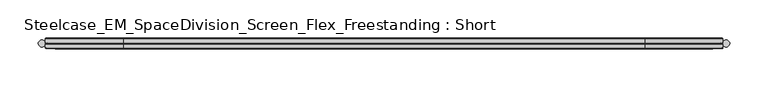
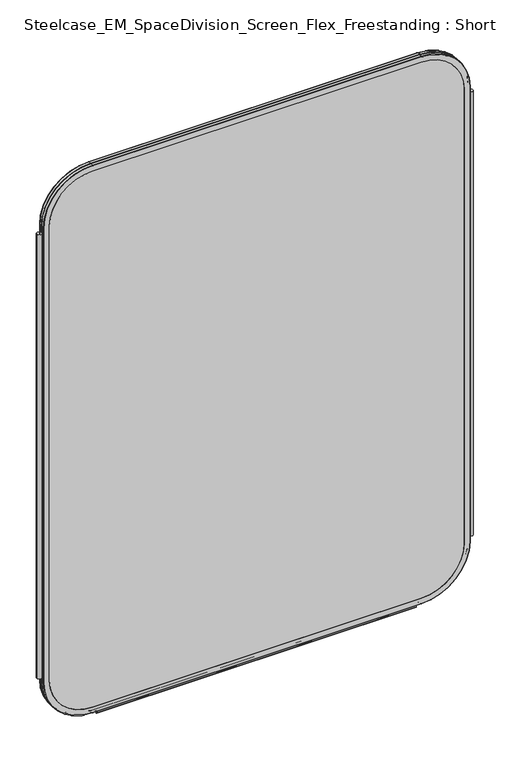
"""IFC4 building model written with IfcOpenShell, lengths in millimetres: furniture geometry, Steelcase_EM_SpaceDivision_Screen_Flex_Freestanding : Short."""

from ifc_helpers import new_model, si_unit, point, frame, frame_2d, origin, place, context, project, spatial, polyline, circle_curve, ellipse_curve, trimmed, segment, composite_curve, outline, extrude, source, transform, mapped, element, save
from ifc_brep_helpers import plane_surface, cylinder_surface, revolved_surface, advanced_brep


def steelcase_em_spacedivision_screen_flex_freestanding_short_748dcd67(model_context):
    return source(origin(), model_context, "Body", "SolidModel", [
        extrude(outline(composite_curve([segment(trimmed(circle_curve(frame_2d((4.5307839, 0.0)), 4.572), [point((-0.0412161, 0.0))], [point((9.1027839, 0.0))], False, "CARTESIAN"), True, "CONTINUOUS"), segment(trimmed(circle_curve(frame_2d((4.5307839, 0.0)), 4.572), [point((9.1027839, 0.0))], [point((-0.0412161, 0.0))], False, "CARTESIAN"), True, "CONTINUOUS")], self_intersect=False)), frame((0.0, 0.0, 115.57), z_axis=(0.0, 0.0, 1.0), x_axis=(1.0, 0.0, 0.0)), (0.0, 0.0, 1.0), 968.86),
        extrude(outline(composite_curve([segment(trimmed(circle_curve(frame_2d((895.4692161, 0.0)), 4.572), [point((890.8972161, 0.0))], [point((900.0412161, 0.0))], False, "CARTESIAN"), True, "CONTINUOUS"), segment(trimmed(circle_curve(frame_2d((895.4692161, 0.0)), 4.572), [point((900.0412161, 0.0))], [point((890.8972161, 0.0))], False, "CARTESIAN"), True, "CONTINUOUS")], self_intersect=False)), frame((0.0, 0.0, 115.57), z_axis=(0.0, 0.0, 1.0), x_axis=(1.0, 0.0, 0.0)), (0.0, 0.0, 1.0), 968.86),
        extrude(outline(composite_curve([segment(trimmed(circle_curve(frame_2d((-3.5, 4.4751953)), 0.5), [point((-3.5, 4.9751953))], [point((-3.5, 3.9751953))], False, "CARTESIAN"), True, "CONTINUOUS"), segment(trimmed(circle_curve(frame_2d((-3.5, 2.4751953)), 1.5), [point((-3.5, 3.9751953))], [point((-2.3025096, 1.5718589))], True, "CARTESIAN"), True, "CONTINUOUS"), segment(trimmed(circle_curve(frame_2d((-10.3325937, 7.629417)), 10.0586411), [point((-2.3025096, 1.5718589))], [point((-0.714976, 4.6836248))], True, "CARTESIAN"), True, "CONTINUOUS"), segment(trimmed(circle_curve(frame_2d((0.0, 4.4646339)), 0.7477618), [point((-0.714976, 4.6836248))], [point((0.714976, 4.6836248))], False, "CARTESIAN"), True, "CONTINUOUS"), segment(trimmed(circle_curve(frame_2d((10.3325937, 7.629417)), 10.0586411), [point((0.714976, 4.6836248))], [point((2.3025096, 1.5718589))], True, "CARTESIAN"), True, "CONTINUOUS"), segment(trimmed(circle_curve(frame_2d((3.5, 2.4751953)), 1.5), [point((2.3025096, 1.5718589))], [point((3.5, 3.9751953))], True, "CARTESIAN"), True, "CONTINUOUS"), segment(trimmed(circle_curve(frame_2d((3.5, 4.4751953)), 0.5), [point((3.5, 3.9751953))], [point((3.5, 4.9751953))], False, "CARTESIAN"), True, "CONTINUOUS"), segment(trimmed(circle_curve(frame_2d((3.5, 2.4751953)), 2.5), [point((3.5, 4.9751953))], [point((1.4656663, 1.0220998))], False, "CARTESIAN"), True, "CONTINUOUS"), segment(trimmed(circle_curve(frame_2d((0.0, -0.0248047)), 1.8011626), [point((1.4656663, 1.0220998))], [point((-1.4656663, 1.0220998))], True, "CARTESIAN"), True, "CONTINUOUS"), segment(trimmed(circle_curve(frame_2d((-3.5, 2.4751953)), 2.5), [point((-1.4656663, 1.0220998))], [point((-3.5, 4.9751953))], False, "CARTESIAN"), True, "CONTINUOUS")], self_intersect=False)), frame((120.0, 0.0, 0.0), z_axis=(1.0, 0.0, 0.0), x_axis=(0.0, 1.0, 0.0)), (0.0, 0.0, 1.0), 660.0),
        advanced_brep(
        [(9.9273521, 0.0, 1098.4), (110.7653521, 0.0, 1199.238), (789.2594661, 0.0, 1199.238), (890.0974661, 0.0, 1098.4), (890.0974661, 0.0, 106.5996464), (789.2594661, 0.0, 5.7616464), (110.7653521, 0.0, 5.7616464), (9.9273521, 0.0, 106.5996464), (789.2594661, 0.0, 17.6996464), (878.1594661, 0.0, 106.5996464), (878.1594661, 0.0, 1098.4), (789.2594661, 0.0, 1187.3), (110.7653521, 0.0, 1187.3), (21.8653521, 0.0, 1098.4), (21.8653521, 0.0, 106.5996464), (110.7653521, 0.0, 17.6996464), (110.7653521, -0.762, 1200.0), (9.1653521, -0.762, 1098.4), (110.7653521, -6.096, 1200.0), (9.1653521, -6.096, 1098.4), (110.7653521, -6.858, 1199.238), (9.9273521, -6.858, 1098.4), (110.7653521, -6.858, 1187.3), (21.8653521, -6.858, 1098.4), (789.2594661, -0.762, 1200.0), (789.2594661, -6.096, 1200.0), (789.2594661, -6.858, 1199.238), (789.2594661, -6.858, 1187.3), (890.8594661, -0.762, 1098.4), (890.8594661, -6.096, 1098.4), (890.0974661, -6.858, 1098.4), (878.1594661, -6.858, 1098.4), (890.8594661, -0.762, 106.5996464), (890.8594661, -6.096, 106.5996464), (890.0974661, -6.858, 106.5996464), (878.1594661, -6.858, 106.5996464), (789.2594661, -0.762, 4.9996464), (789.2594661, -6.096, 4.9996464), (789.2594661, -6.858, 5.7616464), (789.2594661, -6.858, 17.6996464), (110.7653521, -0.762, 4.9996464), (110.7653521, -6.096, 4.9996464), (110.7653521, -6.858, 5.7616464), (110.7653521, -6.858, 17.6996464), (9.1653521, -0.762, 106.5996464), (9.1653521, -6.096, 106.5996464), (9.9273521, -6.858, 106.5996464), (21.8653521, -6.858, 106.5996464)],
        [
            (0, 1, circle_curve(frame((110.7653521, 0.0, 1098.4), z_axis=(0.0, 1.0, 0.0), x_axis=(-1.0, 0.0, 0.0)), 100.838)),
            (1, 2),
            (2, 3, circle_curve(frame((789.2594661, 0.0, 1098.4), z_axis=(0.0, 1.0, 0.0), x_axis=(0.0, 0.0, 1.0)), 100.838)),
            (3, 4),
            (4, 5, circle_curve(frame((789.2594661, 0.0, 106.5996464), z_axis=(0.0, 1.0, 0.0), x_axis=(1.0, 0.0, 0.0)), 100.838)),
            (5, 6),
            (6, 7, circle_curve(frame((110.7653521, 0.0, 106.5996464), z_axis=(0.0, 1.0, 0.0), x_axis=(0.0, 0.0, -1.0)), 100.838)),
            (7, 0),
            (8, 9, circle_curve(frame((789.2594661, 0.0, 106.5996464), z_axis=(0.0, -1.0, 0.0), x_axis=(1.0, 0.0, 0.0)), 88.9)),
            (9, 10),
            (10, 11, circle_curve(frame((789.2594661, 0.0, 1098.4), z_axis=(0.0, -1.0, 0.0), x_axis=(0.0, 0.0, 1.0)), 88.9)),
            (11, 12),
            (12, 13, circle_curve(frame((110.7653521, 0.0, 1098.4), z_axis=(0.0, -1.0, 0.0), x_axis=(-1.0, 0.0, 0.0)), 88.9)),
            (13, 14),
            (14, 15, circle_curve(frame((110.7653521, 0.0, 106.5996464), z_axis=(0.0, -1.0, 0.0), x_axis=(0.0, 0.0, -1.0)), 88.9)),
            (15, 8),
            (16, 1, circle_curve(frame((110.7653521, -0.762, 1199.238), z_axis=(-1.0, 0.0, 0.0), x_axis=(0.0, 0.0, 1.0)), 0.762)),
            (0, 17, circle_curve(frame((9.9273521, -0.762, 1098.4), z_axis=(0.0, 0.0, 1.0), x_axis=(-1.0, 0.0, 0.0)), 0.762)),
            (17, 16, circle_curve(frame((110.7653521, -0.762, 1098.4), z_axis=(0.0, 1.0, 0.0), x_axis=(-1.0, 0.0, 0.0)), 101.6)),
            (18, 16),
            (17, 19),
            (19, 18, circle_curve(frame((110.7653521, -6.096, 1098.4), z_axis=(0.0, 1.0, 0.0), x_axis=(-1.0, 0.0, 0.0)), 101.6)),
            (20, 18, circle_curve(frame((110.7653521, -6.096, 1199.238), z_axis=(-1.0, 0.0, 0.0), x_axis=(0.0, 0.0, 1.0)), 0.762)),
            (19, 21, circle_curve(frame((9.9273521, -6.096, 1098.4), z_axis=(0.0, 0.0, 1.0), x_axis=(-1.0, 0.0, 0.0)), 0.762)),
            (21, 20, circle_curve(frame((110.7653521, -6.858, 1098.4), z_axis=(0.0, 1.0, 0.0), x_axis=(-1.0, 0.0, 0.0)), 100.838)),
            (12, 22),
            (22, 23, circle_curve(frame((110.7653521, -6.858, 1098.4), z_axis=(0.0, -1.0, 0.0), x_axis=(-1.0, 0.0, 0.0)), 88.9)),
            (23, 13),
            (16, 24),
            (24, 2, circle_curve(frame((789.2594661, -0.762, 1199.238), z_axis=(-1.0, 0.0, 0.0), x_axis=(0.0, 0.0, 1.0)), 0.762)),
            (18, 25),
            (25, 24),
            (20, 26),
            (26, 25, circle_curve(frame((789.2594661, -6.096, 1199.238), z_axis=(-1.0, 0.0, 0.0), x_axis=(0.0, 0.0, 1.0)), 0.762)),
            (11, 27),
            (27, 22),
            (28, 3, circle_curve(frame((890.0974661, -0.762, 1098.4), z_axis=(0.0, 0.0, 1.0), x_axis=(1.0, 0.0, 0.0)), 0.762)),
            (24, 28, circle_curve(frame((789.2594661, -0.762, 1098.4), z_axis=(0.0, 1.0, 0.0), x_axis=(0.0, 0.0, 1.0)), 101.6)),
            (29, 28),
            (25, 29, circle_curve(frame((789.2594661, -6.096, 1098.4), z_axis=(0.0, 1.0, 0.0), x_axis=(0.0, 0.0, 1.0)), 101.6)),
            (30, 29, circle_curve(frame((890.0974661, -6.096, 1098.4), z_axis=(0.0, 0.0, 1.0), x_axis=(1.0, 0.0, 0.0)), 0.762)),
            (26, 30, circle_curve(frame((789.2594661, -6.858, 1098.4), z_axis=(0.0, 1.0, 0.0), x_axis=(0.0, 0.0, 1.0)), 100.838)),
            (10, 31),
            (31, 27, circle_curve(frame((789.2594661, -6.858, 1098.4), z_axis=(0.0, -1.0, 0.0), x_axis=(0.0, 0.0, 1.0)), 88.9)),
            (28, 32),
            (32, 4, circle_curve(frame((890.0974661, -0.762, 106.5996464), z_axis=(0.0, 0.0, 1.0), x_axis=(1.0, 0.0, 0.0)), 0.762)),
            (29, 33),
            (33, 32),
            (30, 34),
            (34, 33, circle_curve(frame((890.0974661, -6.096, 106.5996464), z_axis=(0.0, 0.0, 1.0), x_axis=(1.0, 0.0, 0.0)), 0.762)),
            (9, 35),
            (35, 31),
            (36, 5, circle_curve(frame((789.2594661, -0.762, 5.7616464), z_axis=(1.0, 0.0, 0.0), x_axis=(0.0, 0.0, -1.0)), 0.762)),
            (32, 36, circle_curve(frame((789.2594661, -0.762, 106.5996464), z_axis=(0.0, 1.0, 0.0), x_axis=(1.0, 0.0, 0.0)), 101.6)),
            (37, 36),
            (33, 37, circle_curve(frame((789.2594661, -6.096, 106.5996464), z_axis=(0.0, 1.0, 0.0), x_axis=(1.0, 0.0, 0.0)), 101.6)),
            (38, 37, circle_curve(frame((789.2594661, -6.096, 5.7616464), z_axis=(1.0, 0.0, 0.0), x_axis=(0.0, 0.0, -1.0)), 0.762)),
            (34, 38, circle_curve(frame((789.2594661, -6.858, 106.5996464), z_axis=(0.0, 1.0, 0.0), x_axis=(1.0, 0.0, 0.0)), 100.838)),
            (8, 39),
            (39, 35, circle_curve(frame((789.2594661, -6.858, 106.5996464), z_axis=(0.0, -1.0, 0.0), x_axis=(1.0, 0.0, 0.0)), 88.9)),
            (36, 40),
            (40, 6, circle_curve(frame((110.7653521, -0.762, 5.7616464), z_axis=(1.0, 0.0, 0.0), x_axis=(0.0, 0.0, -1.0)), 0.762)),
            (37, 41),
            (41, 40),
            (38, 42),
            (42, 41, circle_curve(frame((110.7653521, -6.096, 5.7616464), z_axis=(1.0, 0.0, 0.0), x_axis=(0.0, 0.0, -1.0)), 0.762)),
            (15, 43),
            (43, 39),
            (44, 7, circle_curve(frame((9.9273521, -0.762, 106.5996464), z_axis=(0.0, 0.0, -1.0), x_axis=(-1.0, 0.0, 0.0)), 0.762)),
            (40, 44, circle_curve(frame((110.7653521, -0.762, 106.5996464), z_axis=(0.0, 1.0, 0.0), x_axis=(0.0, 0.0, -1.0)), 101.6)),
            (45, 44),
            (41, 45, circle_curve(frame((110.7653521, -6.096, 106.5996464), z_axis=(0.0, 1.0, 0.0), x_axis=(0.0, 0.0, -1.0)), 101.6)),
            (46, 45, circle_curve(frame((9.9273521, -6.096, 106.5996464), z_axis=(0.0, 0.0, -1.0), x_axis=(-1.0, 0.0, 0.0)), 0.762)),
            (42, 46, circle_curve(frame((110.7653521, -6.858, 106.5996464), z_axis=(0.0, 1.0, 0.0), x_axis=(0.0, 0.0, -1.0)), 100.838)),
            (14, 47),
            (47, 43, circle_curve(frame((110.7653521, -6.858, 106.5996464), z_axis=(0.0, -1.0, 0.0), x_axis=(0.0, 0.0, -1.0)), 88.9)),
            (44, 17),
            (45, 19),
            (46, 21),
            (47, 23),
        ],
        [
            plane_surface(frame((21.8653521, 0.0, 106.5996464), z_axis=(0.0, 1.0, 0.0), x_axis=(0.0, 0.0, 1.0))),
            revolved_surface(trimmed(ellipse_curve(frame((9.9273521, -0.762, 1098.4), z_axis=(0.0, 0.0, 1.0), x_axis=(-1.0, 0.0, 0.0)), 0.762, 0.762), [point((9.9273521, 0.0, 1098.4))], [point((9.1653521, -0.762, 1098.4))], True, "CARTESIAN"), (110.7653521, 0.0, 1098.4), (0.0, -1.0, 0.0)),
            cylinder_surface(frame((110.7653521, 0.0, 1098.4), z_axis=(0.0, -1.0, 0.0), x_axis=(-1.0, 0.0, 0.0)), 101.6),
            revolved_surface(trimmed(ellipse_curve(frame((9.9273521, -6.096, 1098.4), z_axis=(0.0, 0.0, 1.0), x_axis=(-1.0, 0.0, 0.0)), 0.762, 0.762), [point((9.1653521, -6.096, 1098.4))], [point((9.9273521, -6.858, 1098.4))], True, "CARTESIAN"), (110.7653521, 0.0, 1098.4), (0.0, -1.0, 0.0)),
            revolved_surface(polyline([(21.865352099999996, -6.858, 1098.4), (21.865352099999996, 0.0, 1098.4)]), (110.7653521, 0.0, 1098.4), (0.0, -1.0, 0.0)),
            cylinder_surface(frame((110.7653521, -0.762, 1199.238), z_axis=(-1.0, 0.0, 0.0), x_axis=(0.0, 0.0, 1.0)), 0.762),
            plane_surface(frame((110.7653521, -0.762, 1200.0), z_axis=(0.0, 0.0, 1.0), x_axis=(1.0, 0.0, 0.0))),
            cylinder_surface(frame((110.7653521, -6.096, 1199.238), z_axis=(-1.0, 0.0, 0.0), x_axis=(0.0, 0.0, 1.0)), 0.762),
            plane_surface(frame((110.7653521, -6.858, 1187.3), z_axis=(0.0, 0.0, -1.0), x_axis=(1.0, 0.0, 0.0))),
            revolved_surface(trimmed(ellipse_curve(frame((789.2594661, -0.762, 1199.238), z_axis=(1.0, 0.0, 0.0), x_axis=(0.0, 0.0, 1.0)), 0.762, 0.762), [point((789.2594661, 0.0, 1199.238))], [point((789.2594661, -0.762, 1200.0))], True, "CARTESIAN"), (789.2594661, 0.0, 1098.4), (0.0, -1.0, 0.0)),
            cylinder_surface(frame((789.2594661, 0.0, 1098.4), z_axis=(0.0, -1.0, 0.0), x_axis=(0.0, 0.0, 1.0)), 101.6),
            revolved_surface(trimmed(ellipse_curve(frame((789.2594661, -6.096, 1199.238), z_axis=(1.0, 0.0, 0.0), x_axis=(0.0, 0.0, 1.0)), 0.762, 0.762), [point((789.2594661, -6.096, 1200.0))], [point((789.2594661, -6.858, 1199.238))], True, "CARTESIAN"), (789.2594661, 0.0, 1098.4), (0.0, -1.0, 0.0)),
            revolved_surface(polyline([(789.2594661, -6.858, 1187.3000000000002), (789.2594661, 0.0, 1187.3000000000002)]), (789.2594661, 0.0, 1098.4), (0.0, -1.0, 0.0)),
            cylinder_surface(frame((890.0974661, -0.762, 1098.4), z_axis=(0.0, 0.0, 1.0), x_axis=(1.0, 0.0, 0.0)), 0.762),
            plane_surface(frame((890.8594661, -0.762, 1098.4), z_axis=(1.0, 0.0, 0.0), x_axis=(0.0, 0.0, -1.0))),
            cylinder_surface(frame((890.0974661, -6.096, 1098.4), z_axis=(0.0, 0.0, 1.0), x_axis=(1.0, 0.0, 0.0)), 0.762),
            plane_surface(frame((878.1594661, -6.858, 1098.4), z_axis=(-1.0, 0.0, 0.0), x_axis=(0.0, 0.0, -1.0))),
            revolved_surface(trimmed(ellipse_curve(frame((890.0974661, -0.762, 106.5996464), z_axis=(0.0, 0.0, -1.0), x_axis=(1.0, 0.0, 0.0)), 0.762, 0.762), [point((890.0974661, 0.0, 106.5996464))], [point((890.8594661, -0.762, 106.5996464))], True, "CARTESIAN"), (789.2594661, 0.0, 106.5996464), (0.0, -1.0, 0.0)),
            cylinder_surface(frame((789.2594661, 0.0, 106.5996464), z_axis=(0.0, -1.0, 0.0), x_axis=(1.0, 0.0, 0.0)), 101.6),
            revolved_surface(trimmed(ellipse_curve(frame((890.0974661, -6.096, 106.5996464), z_axis=(0.0, 0.0, -1.0), x_axis=(1.0, 0.0, 0.0)), 0.762, 0.762), [point((890.8594661, -6.096, 106.5996464))], [point((890.0974661, -6.858, 106.5996464))], True, "CARTESIAN"), (789.2594661, 0.0, 106.5996464), (0.0, -1.0, 0.0)),
            revolved_surface(polyline([(878.1594661, -6.858, 106.5996464), (878.1594661, 0.0, 106.5996464)]), (789.2594661, 0.0, 106.5996464), (0.0, -1.0, 0.0)),
            cylinder_surface(frame((789.2594661, -0.762, 5.7616464), z_axis=(1.0, 0.0, 0.0), x_axis=(0.0, 0.0, -1.0)), 0.762),
            plane_surface(frame((789.2594661, -0.762, 4.9996464), z_axis=(0.0, 0.0, -1.0), x_axis=(-1.0, 0.0, 0.0))),
            cylinder_surface(frame((789.2594661, -6.096, 5.7616464), z_axis=(1.0, 0.0, 0.0), x_axis=(0.0, 0.0, -1.0)), 0.762),
            plane_surface(frame((789.2594661, -6.858, 17.6996464), z_axis=(0.0, 0.0, 1.0), x_axis=(-1.0, 0.0, 0.0))),
            revolved_surface(trimmed(ellipse_curve(frame((110.7653521, -0.762, 5.7616464), z_axis=(-1.0, 0.0, 0.0), x_axis=(0.0, 0.0, -1.0)), 0.762, 0.762), [point((110.7653521, 0.0, 5.7616464))], [point((110.7653521, -0.762, 4.9996464))], True, "CARTESIAN"), (110.7653521, 0.0, 106.5996464), (0.0, -1.0, 0.0)),
            cylinder_surface(frame((110.7653521, 0.0, 106.5996464), z_axis=(0.0, -1.0, 0.0), x_axis=(0.0, 0.0, -1.0)), 101.6),
            revolved_surface(trimmed(ellipse_curve(frame((110.7653521, -6.096, 5.7616464), z_axis=(-1.0, 0.0, 0.0), x_axis=(0.0, 0.0, -1.0)), 0.762, 0.762), [point((110.7653521, -6.096, 4.9996464))], [point((110.7653521, -6.858, 5.7616464))], True, "CARTESIAN"), (110.7653521, 0.0, 106.5996464), (0.0, -1.0, 0.0)),
            revolved_surface(polyline([(110.7653521, -6.858, 17.699646399999992), (110.7653521, 0.0, 17.699646399999992)]), (110.7653521, 0.0, 106.5996464), (0.0, -1.0, 0.0)),
            cylinder_surface(frame((9.9273521, -0.762, 106.5996464), z_axis=(0.0, 0.0, -1.0), x_axis=(-1.0, 0.0, 0.0)), 0.762),
            plane_surface(frame((9.1653521, -0.762, 106.5996464), z_axis=(-1.0, 0.0, 0.0), x_axis=(0.0, 0.0, 1.0))),
            cylinder_surface(frame((9.9273521, -6.096, 106.5996464), z_axis=(0.0, 0.0, -1.0), x_axis=(-1.0, 0.0, 0.0)), 0.762),
            plane_surface(frame((9.9273521, -6.858, 106.5996464), z_axis=(0.0, -1.0, 0.0), x_axis=(0.0, 0.0, 1.0))),
            plane_surface(frame((21.8653521, -6.858, 106.5996464), z_axis=(1.0, 0.0, 0.0), x_axis=(0.0, 0.0, 1.0))),
        ],
        [
            (0, [[1, 2, 3, 4, 5, 6, 7, 8], [9, 10, 11, 12, 13, 14, 15, 16]]),
            (1, [[17, -1, 18, 19]]),
            (2, [[20, -19, 21, 22]]),
            (3, [[23, -22, 24, 25]]),
            (4, [[26, 27, 28, -13]]),
            (5, [[29, 30, -2, -17]]),
            (6, [[31, 32, -29, -20]]),
            (7, [[33, 34, -31, -23]]),
            (8, [[-12, 35, 36, -26]]),
            (9, [[37, -3, -30, 38]]),
            (10, [[39, -38, -32, 40]]),
            (11, [[41, -40, -34, 42]]),
            (12, [[43, 44, -35, -11]]),
            (13, [[45, 46, -4, -37]]),
            (14, [[47, 48, -45, -39]]),
            (15, [[49, 50, -47, -41]]),
            (16, [[-10, 51, 52, -43]]),
            (17, [[53, -5, -46, 54]]),
            (18, [[55, -54, -48, 56]]),
            (19, [[57, -56, -50, 58]]),
            (20, [[59, 60, -51, -9]]),
            (21, [[61, 62, -6, -53]]),
            (22, [[63, 64, -61, -55]]),
            (23, [[65, 66, -63, -57]]),
            (24, [[-16, 67, 68, -59]]),
            (25, [[69, -7, -62, 70]]),
            (26, [[71, -70, -64, 72]]),
            (27, [[73, -72, -66, 74]]),
            (28, [[75, 76, -67, -15]]),
            (29, [[77, -18, -8, -69]]),
            (30, [[78, -21, -77, -71]]),
            (31, [[79, -24, -78, -73]]),
            (32, [[-58, -49, -42, -33, -25, -79, -74, -65], [-27, -36, -44, -52, -60, -68, -76, 80]]),
            (33, [[-14, -28, -80, -75]]),
        ],
    ),
        extrude(outline(composite_curve([segment(polyline([(1187.3, 789.2594661), (1187.3, 110.7653521)]), True, "CONTINUOUS"), segment(trimmed(circle_curve(frame_2d((1098.4, 110.7653521)), 88.9), [point((1187.3, 110.7653521))], [point((1098.4, 21.8653521))], False, "CARTESIAN"), True, "CONTINUOUS"), segment(polyline([(1098.4, 21.8653521), (106.5996464, 21.8653521)]), True, "CONTINUOUS"), segment(trimmed(circle_curve(frame_2d((106.5996464, 110.7653521)), 88.9), [point((106.5996464, 21.8653521))], [point((17.6996464, 110.7653521))], False, "CARTESIAN"), True, "CONTINUOUS"), segment(polyline([(17.6996464, 110.7653521), (17.6996464, 789.2594661)]), True, "CONTINUOUS"), segment(trimmed(circle_curve(frame_2d((106.5996464, 789.2594661)), 88.9), [point((17.6996464, 789.2594661))], [point((106.5996464, 878.1594661))], False, "CARTESIAN"), True, "CONTINUOUS"), segment(polyline([(106.5996464, 878.1594661), (1098.4, 878.1594661)]), True, "CONTINUOUS"), segment(trimmed(circle_curve(frame_2d((1098.4, 789.2594661)), 88.9), [point((1098.4, 878.1594661))], [point((1187.3, 789.2594661))], False, "CARTESIAN"), True, "CONTINUOUS")], self_intersect=False)), frame((0.0, -6.858, 0.0), z_axis=(0.0, 1.0, 0.0), x_axis=(0.0, 0.0, 1.0)), (0.0, 0.0, 1.0), 6.858),
        advanced_brep(
        [(110.7653521, 6.858, 1187.3), (110.7653521, 0.0, 1187.3), (21.8653521, 0.0, 1098.4), (21.8653521, 6.858, 1098.4), (110.7653521, 6.096, 1200.0), (110.7653521, 6.858, 1199.238), (9.9273521, 6.858, 1098.4), (9.1653521, 6.096, 1098.4), (110.7653521, 0.762, 1200.0), (9.1653521, 0.762, 1098.4), (110.7653521, 0.0, 1199.238), (9.9273521, 0.0, 1098.4), (789.2594661, 6.858, 1187.3), (789.2594661, 0.0, 1187.3), (789.2594661, 6.096, 1200.0), (789.2594661, 6.858, 1199.238), (789.2594661, 0.762, 1200.0), (789.2594661, 0.0, 1199.238), (878.1594661, 6.858, 1098.4), (878.1594661, 0.0, 1098.4), (890.8594661, 6.096, 1098.4), (890.0974661, 6.858, 1098.4), (890.8594661, 0.762, 1098.4), (890.0974661, 0.0, 1098.4), (878.1594661, 6.858, 106.5996464), (878.1594661, 0.0, 106.5996464), (890.8594661, 6.096, 106.5996464), (890.0974661, 6.858, 106.5996464), (890.8594661, 0.762, 106.5996464), (890.0974661, 0.0, 106.5996464), (789.2594661, 6.858, 17.6996464), (789.2594661, 0.0, 17.6996464), (789.2594661, 6.096, 4.9996464), (789.2594661, 6.858, 5.7616464), (789.2594661, 0.762, 4.9996464), (789.2594661, 0.0, 5.7616464), (110.7653521, 6.858, 17.6996464), (110.7653521, 0.0, 17.6996464), (110.7653521, 6.096, 4.9996464), (110.7653521, 6.858, 5.7616464), (110.7653521, 0.762, 4.9996464), (110.7653521, 0.0, 5.7616464), (21.8653521, 6.858, 106.5996464), (21.8653521, 0.0, 106.5996464), (9.1653521, 6.096, 106.5996464), (9.9273521, 6.858, 106.5996464), (9.1653521, 0.762, 106.5996464), (9.9273521, 0.0, 106.5996464)],
        [
            (0, 1),
            (1, 2, circle_curve(frame((110.7653521, 0.0, 1098.4), z_axis=(0.0, -1.0, 0.0), x_axis=(-1.0, 0.0, 0.0)), 88.9)),
            (2, 3),
            (3, 0, circle_curve(frame((110.7653521, 6.858, 1098.4), z_axis=(0.0, 1.0, 0.0), x_axis=(-1.0, 0.0, 0.0)), 88.9)),
            (4, 5, circle_curve(frame((110.7653521, 6.096, 1199.238), z_axis=(-1.0, 0.0, 0.0), x_axis=(0.0, 0.0, 1.0)), 0.762)),
            (5, 6, circle_curve(frame((110.7653521, 6.858, 1098.4), z_axis=(0.0, -1.0, 0.0), x_axis=(-1.0, 0.0, 0.0)), 100.838)),
            (6, 7, circle_curve(frame((9.9273521, 6.096, 1098.4), z_axis=(0.0, 0.0, 1.0), x_axis=(-1.0, 0.0, 0.0)), 0.762)),
            (7, 4, circle_curve(frame((110.7653521, 6.096, 1098.4), z_axis=(0.0, 1.0, 0.0), x_axis=(-1.0, 0.0, 0.0)), 101.6)),
            (8, 4),
            (7, 9),
            (9, 8, circle_curve(frame((110.7653521, 0.762, 1098.4), z_axis=(0.0, 1.0, 0.0), x_axis=(-1.0, 0.0, 0.0)), 101.6)),
            (10, 8, circle_curve(frame((110.7653521, 0.762, 1199.238), z_axis=(-1.0, 0.0, 0.0), x_axis=(0.0, 0.0, 1.0)), 0.762)),
            (9, 11, circle_curve(frame((9.9273521, 0.762, 1098.4), z_axis=(0.0, 0.0, 1.0), x_axis=(-1.0, 0.0, 0.0)), 0.762)),
            (11, 10, circle_curve(frame((110.7653521, 0.0, 1098.4), z_axis=(0.0, 1.0, 0.0), x_axis=(-1.0, 0.0, 0.0)), 100.838)),
            (0, 12),
            (12, 13),
            (13, 1),
            (4, 14),
            (14, 15, circle_curve(frame((789.2594661, 6.096, 1199.238), z_axis=(-1.0, 0.0, 0.0), x_axis=(0.0, 0.0, 1.0)), 0.762)),
            (15, 5),
            (8, 16),
            (16, 14),
            (10, 17),
            (17, 16, circle_curve(frame((789.2594661, 0.762, 1199.238), z_axis=(-1.0, 0.0, 0.0), x_axis=(0.0, 0.0, 1.0)), 0.762)),
            (18, 19),
            (19, 13, circle_curve(frame((789.2594661, 0.0, 1098.4), z_axis=(0.0, -1.0, 0.0), x_axis=(0.0, 0.0, 1.0)), 88.9)),
            (12, 18, circle_curve(frame((789.2594661, 6.858, 1098.4), z_axis=(0.0, 1.0, 0.0), x_axis=(0.0, 0.0, 1.0)), 88.9)),
            (20, 21, circle_curve(frame((890.0974661, 6.096, 1098.4), z_axis=(0.0, 0.0, 1.0), x_axis=(1.0, 0.0, 0.0)), 0.762)),
            (21, 15, circle_curve(frame((789.2594661, 6.858, 1098.4), z_axis=(0.0, -1.0, 0.0), x_axis=(0.0, 0.0, 1.0)), 100.838)),
            (14, 20, circle_curve(frame((789.2594661, 6.096, 1098.4), z_axis=(0.0, 1.0, 0.0), x_axis=(0.0, 0.0, 1.0)), 101.6)),
            (22, 20),
            (16, 22, circle_curve(frame((789.2594661, 0.762, 1098.4), z_axis=(0.0, 1.0, 0.0), x_axis=(0.0, 0.0, 1.0)), 101.6)),
            (23, 22, circle_curve(frame((890.0974661, 0.762, 1098.4), z_axis=(0.0, 0.0, 1.0), x_axis=(1.0, 0.0, 0.0)), 0.762)),
            (17, 23, circle_curve(frame((789.2594661, 0.0, 1098.4), z_axis=(0.0, 1.0, 0.0), x_axis=(0.0, 0.0, 1.0)), 100.838)),
            (18, 24),
            (24, 25),
            (25, 19),
            (20, 26),
            (26, 27, circle_curve(frame((890.0974661, 6.096, 106.5996464), z_axis=(0.0, 0.0, 1.0), x_axis=(1.0, 0.0, 0.0)), 0.762)),
            (27, 21),
            (22, 28),
            (28, 26),
            (23, 29),
            (29, 28, circle_curve(frame((890.0974661, 0.762, 106.5996464), z_axis=(0.0, 0.0, 1.0), x_axis=(1.0, 0.0, 0.0)), 0.762)),
            (30, 31),
            (31, 25, circle_curve(frame((789.2594661, 0.0, 106.5996464), z_axis=(0.0, -1.0, 0.0), x_axis=(1.0, 0.0, 0.0)), 88.9)),
            (24, 30, circle_curve(frame((789.2594661, 6.858, 106.5996464), z_axis=(0.0, 1.0, 0.0), x_axis=(1.0, 0.0, 0.0)), 88.9)),
            (32, 33, circle_curve(frame((789.2594661, 6.096, 5.7616464), z_axis=(1.0, 0.0, 0.0), x_axis=(0.0, 0.0, -1.0)), 0.762)),
            (33, 27, circle_curve(frame((789.2594661, 6.858, 106.5996464), z_axis=(0.0, -1.0, 0.0), x_axis=(1.0, 0.0, 0.0)), 100.838)),
            (26, 32, circle_curve(frame((789.2594661, 6.096, 106.5996464), z_axis=(0.0, 1.0, 0.0), x_axis=(1.0, 0.0, 0.0)), 101.6)),
            (34, 32),
            (28, 34, circle_curve(frame((789.2594661, 0.762, 106.5996464), z_axis=(0.0, 1.0, 0.0), x_axis=(1.0, 0.0, 0.0)), 101.6)),
            (35, 34, circle_curve(frame((789.2594661, 0.762, 5.7616464), z_axis=(1.0, 0.0, 0.0), x_axis=(0.0, 0.0, -1.0)), 0.762)),
            (29, 35, circle_curve(frame((789.2594661, 0.0, 106.5996464), z_axis=(0.0, 1.0, 0.0), x_axis=(1.0, 0.0, 0.0)), 100.838)),
            (30, 36),
            (36, 37),
            (37, 31),
            (32, 38),
            (38, 39, circle_curve(frame((110.7653521, 6.096, 5.7616464), z_axis=(1.0, 0.0, 0.0), x_axis=(0.0, 0.0, -1.0)), 0.762)),
            (39, 33),
            (34, 40),
            (40, 38),
            (35, 41),
            (41, 40, circle_curve(frame((110.7653521, 0.762, 5.7616464), z_axis=(1.0, 0.0, 0.0), x_axis=(0.0, 0.0, -1.0)), 0.762)),
            (42, 43),
            (43, 37, circle_curve(frame((110.7653521, 0.0, 106.5996464), z_axis=(0.0, -1.0, 0.0), x_axis=(0.0, 0.0, -1.0)), 88.9)),
            (36, 42, circle_curve(frame((110.7653521, 6.858, 106.5996464), z_axis=(0.0, 1.0, 0.0), x_axis=(0.0, 0.0, -1.0)), 88.9)),
            (44, 45, circle_curve(frame((9.9273521, 6.096, 106.5996464), z_axis=(0.0, 0.0, -1.0), x_axis=(-1.0, 0.0, 0.0)), 0.762)),
            (45, 39, circle_curve(frame((110.7653521, 6.858, 106.5996464), z_axis=(0.0, -1.0, 0.0), x_axis=(0.0, 0.0, -1.0)), 100.838)),
            (38, 44, circle_curve(frame((110.7653521, 6.096, 106.5996464), z_axis=(0.0, 1.0, 0.0), x_axis=(0.0, 0.0, -1.0)), 101.6)),
            (46, 44),
            (40, 46, circle_curve(frame((110.7653521, 0.762, 106.5996464), z_axis=(0.0, 1.0, 0.0), x_axis=(0.0, 0.0, -1.0)), 101.6)),
            (47, 46, circle_curve(frame((9.9273521, 0.762, 106.5996464), z_axis=(0.0, 0.0, -1.0), x_axis=(-1.0, 0.0, 0.0)), 0.762)),
            (41, 47, circle_curve(frame((110.7653521, 0.0, 106.5996464), z_axis=(0.0, 1.0, 0.0), x_axis=(0.0, 0.0, -1.0)), 100.838)),
            (42, 3),
            (2, 43),
            (45, 6),
            (44, 7),
            (46, 9),
            (47, 11),
        ],
        [
            revolved_surface(polyline([(21.865352099999996, 0.0, 1098.4), (21.865352099999996, 6.858, 1098.4)]), (110.7653521, 0.0, 1098.4), (0.0, -1.0, 0.0)),
            revolved_surface(trimmed(ellipse_curve(frame((9.9273521, 6.096, 1098.4), z_axis=(0.0, 0.0, 1.0), x_axis=(-1.0, 0.0, 0.0)), 0.762, 0.762), [point((9.9273521, 6.858, 1098.4))], [point((9.1653521, 6.096, 1098.4))], True, "CARTESIAN"), (110.7653521, 0.0, 1098.4), (0.0, -1.0, 0.0)),
            cylinder_surface(frame((110.7653521, 0.0, 1098.4), z_axis=(0.0, -1.0, 0.0), x_axis=(-1.0, 0.0, 0.0)), 101.6),
            revolved_surface(trimmed(ellipse_curve(frame((9.9273521, 0.762, 1098.4), z_axis=(0.0, 0.0, 1.0), x_axis=(-1.0, 0.0, 0.0)), 0.762, 0.762), [point((9.1653521, 0.762, 1098.4))], [point((9.9273521, 0.0, 1098.4))], True, "CARTESIAN"), (110.7653521, 0.0, 1098.4), (0.0, -1.0, 0.0)),
            plane_surface(frame((110.7653521, 0.0, 1187.3), z_axis=(0.0, 0.0, -1.0), x_axis=(1.0, 0.0, 0.0))),
            cylinder_surface(frame((110.7653521, 6.096, 1199.238), z_axis=(-1.0, 0.0, 0.0), x_axis=(0.0, 0.0, 1.0)), 0.762),
            plane_surface(frame((110.7653521, 6.096, 1200.0), z_axis=(0.0, 0.0, 1.0), x_axis=(1.0, 0.0, 0.0))),
            cylinder_surface(frame((110.7653521, 0.762, 1199.238), z_axis=(-1.0, 0.0, 0.0), x_axis=(0.0, 0.0, 1.0)), 0.762),
            revolved_surface(polyline([(789.2594661, 0.0, 1187.3000000000002), (789.2594661, 6.858, 1187.3000000000002)]), (789.2594661, 0.0, 1098.4), (0.0, -1.0, 0.0)),
            revolved_surface(trimmed(ellipse_curve(frame((789.2594661, 6.096, 1199.238), z_axis=(1.0, 0.0, 0.0), x_axis=(0.0, 0.0, 1.0)), 0.762, 0.762), [point((789.2594661, 6.858, 1199.238))], [point((789.2594661, 6.096, 1200.0))], True, "CARTESIAN"), (789.2594661, 0.0, 1098.4), (0.0, -1.0, 0.0)),
            cylinder_surface(frame((789.2594661, 0.0, 1098.4), z_axis=(0.0, -1.0, 0.0), x_axis=(0.0, 0.0, 1.0)), 101.6),
            revolved_surface(trimmed(ellipse_curve(frame((789.2594661, 0.762, 1199.238), z_axis=(1.0, 0.0, 0.0), x_axis=(0.0, 0.0, 1.0)), 0.762, 0.762), [point((789.2594661, 0.762, 1200.0))], [point((789.2594661, 0.0, 1199.238))], True, "CARTESIAN"), (789.2594661, 0.0, 1098.4), (0.0, -1.0, 0.0)),
            plane_surface(frame((878.1594661, 0.0, 1098.4), z_axis=(-1.0, 0.0, 0.0), x_axis=(0.0, 0.0, -1.0))),
            cylinder_surface(frame((890.0974661, 6.096, 1098.4), z_axis=(0.0, 0.0, 1.0), x_axis=(1.0, 0.0, 0.0)), 0.762),
            plane_surface(frame((890.8594661, 6.096, 1098.4), z_axis=(1.0, 0.0, 0.0), x_axis=(0.0, 0.0, -1.0))),
            cylinder_surface(frame((890.0974661, 0.762, 1098.4), z_axis=(0.0, 0.0, 1.0), x_axis=(1.0, 0.0, 0.0)), 0.762),
            revolved_surface(polyline([(878.1594661, 0.0, 106.5996464), (878.1594661, 6.858, 106.5996464)]), (789.2594661, 0.0, 106.5996464), (0.0, -1.0, 0.0)),
            revolved_surface(trimmed(ellipse_curve(frame((890.0974661, 6.096, 106.5996464), z_axis=(0.0, 0.0, -1.0), x_axis=(1.0, 0.0, 0.0)), 0.762, 0.762), [point((890.0974661, 6.858, 106.5996464))], [point((890.8594661, 6.096, 106.5996464))], True, "CARTESIAN"), (789.2594661, 0.0, 106.5996464), (0.0, -1.0, 0.0)),
            cylinder_surface(frame((789.2594661, 0.0, 106.5996464), z_axis=(0.0, -1.0, 0.0), x_axis=(1.0, 0.0, 0.0)), 101.6),
            revolved_surface(trimmed(ellipse_curve(frame((890.0974661, 0.762, 106.5996464), z_axis=(0.0, 0.0, -1.0), x_axis=(1.0, 0.0, 0.0)), 0.762, 0.762), [point((890.8594661, 0.762, 106.5996464))], [point((890.0974661, 0.0, 106.5996464))], True, "CARTESIAN"), (789.2594661, 0.0, 106.5996464), (0.0, -1.0, 0.0)),
            plane_surface(frame((789.2594661, 0.0, 17.6996464), z_axis=(0.0, 0.0, 1.0), x_axis=(-1.0, 0.0, 0.0))),
            cylinder_surface(frame((789.2594661, 6.096, 5.7616464), z_axis=(1.0, 0.0, 0.0), x_axis=(0.0, 0.0, -1.0)), 0.762),
            plane_surface(frame((789.2594661, 6.096, 4.9996464), z_axis=(0.0, 0.0, -1.0), x_axis=(-1.0, 0.0, 0.0))),
            cylinder_surface(frame((789.2594661, 0.762, 5.7616464), z_axis=(1.0, 0.0, 0.0), x_axis=(0.0, 0.0, -1.0)), 0.762),
            revolved_surface(polyline([(110.7653521, 0.0, 17.699646399999992), (110.7653521, 6.858, 17.699646399999992)]), (110.7653521, 0.0, 106.5996464), (0.0, -1.0, 0.0)),
            revolved_surface(trimmed(ellipse_curve(frame((110.7653521, 6.096, 5.7616464), z_axis=(-1.0, 0.0, 0.0), x_axis=(0.0, 0.0, -1.0)), 0.762, 0.762), [point((110.7653521, 6.858, 5.7616464))], [point((110.7653521, 6.096, 4.9996464))], True, "CARTESIAN"), (110.7653521, 0.0, 106.5996464), (0.0, -1.0, 0.0)),
            cylinder_surface(frame((110.7653521, 0.0, 106.5996464), z_axis=(0.0, -1.0, 0.0), x_axis=(0.0, 0.0, -1.0)), 101.6),
            revolved_surface(trimmed(ellipse_curve(frame((110.7653521, 0.762, 5.7616464), z_axis=(-1.0, 0.0, 0.0), x_axis=(0.0, 0.0, -1.0)), 0.762, 0.762), [point((110.7653521, 0.762, 4.9996464))], [point((110.7653521, 0.0, 5.7616464))], True, "CARTESIAN"), (110.7653521, 0.0, 106.5996464), (0.0, -1.0, 0.0)),
            plane_surface(frame((21.8653521, 0.0, 106.5996464), z_axis=(1.0, 0.0, 0.0), x_axis=(0.0, 0.0, 1.0))),
            plane_surface(frame((21.8653521, 6.858, 106.5996464), z_axis=(0.0, 1.0, 0.0), x_axis=(0.0, 0.0, 1.0))),
            cylinder_surface(frame((9.9273521, 6.096, 106.5996464), z_axis=(0.0, 0.0, -1.0), x_axis=(-1.0, 0.0, 0.0)), 0.762),
            plane_surface(frame((9.1653521, 6.096, 106.5996464), z_axis=(-1.0, 0.0, 0.0), x_axis=(0.0, 0.0, 1.0))),
            cylinder_surface(frame((9.9273521, 0.762, 106.5996464), z_axis=(0.0, 0.0, -1.0), x_axis=(-1.0, 0.0, 0.0)), 0.762),
            plane_surface(frame((9.9273521, 0.0, 106.5996464), z_axis=(0.0, -1.0, 0.0), x_axis=(0.0, 0.0, 1.0))),
        ],
        [
            (0, [[1, 2, 3, 4]]),
            (1, [[5, 6, 7, 8]]),
            (2, [[9, -8, 10, 11]]),
            (3, [[12, -11, 13, 14]]),
            (4, [[15, 16, 17, -1]]),
            (5, [[18, 19, 20, -5]]),
            (6, [[21, 22, -18, -9]]),
            (7, [[23, 24, -21, -12]]),
            (8, [[25, 26, -16, 27]]),
            (9, [[28, 29, -19, 30]]),
            (10, [[31, -30, -22, 32]]),
            (11, [[33, -32, -24, 34]]),
            (12, [[35, 36, 37, -25]]),
            (13, [[38, 39, 40, -28]]),
            (14, [[41, 42, -38, -31]]),
            (15, [[43, 44, -41, -33]]),
            (16, [[45, 46, -36, 47]]),
            (17, [[48, 49, -39, 50]]),
            (18, [[51, -50, -42, 52]]),
            (19, [[53, -52, -44, 54]]),
            (20, [[55, 56, 57, -45]]),
            (21, [[58, 59, 60, -48]]),
            (22, [[61, 62, -58, -51]]),
            (23, [[63, 64, -61, -53]]),
            (24, [[65, 66, -56, 67]]),
            (25, [[68, 69, -59, 70]]),
            (26, [[71, -70, -62, 72]]),
            (27, [[73, -72, -64, 74]]),
            (28, [[75, -3, 76, -65]]),
            (29, [[-6, -20, -29, -40, -49, -60, -69, 77], [-47, -35, -27, -15, -4, -75, -67, -55]]),
            (30, [[78, -7, -77, -68]]),
            (31, [[79, -10, -78, -71]]),
            (32, [[80, -13, -79, -73]]),
            (33, [[-54, -43, -34, -23, -14, -80, -74, -63], [-2, -17, -26, -37, -46, -57, -66, -76]]),
        ],
    ),
        extrude(outline(composite_curve([segment(polyline([(1187.3, 789.2594661), (1187.3, 110.7653521)]), True, "CONTINUOUS"), segment(trimmed(circle_curve(frame_2d((1098.4, 110.7653521)), 88.9), [point((1187.3, 110.7653521))], [point((1098.4, 21.8653521))], False, "CARTESIAN"), True, "CONTINUOUS"), segment(polyline([(1098.4, 21.8653521), (106.5996464, 21.8653521)]), True, "CONTINUOUS"), segment(trimmed(circle_curve(frame_2d((106.5996464, 110.7653521)), 88.9), [point((106.5996464, 21.8653521))], [point((17.6996464, 110.7653521))], False, "CARTESIAN"), True, "CONTINUOUS"), segment(polyline([(17.6996464, 110.7653521), (17.6996464, 789.2594661)]), True, "CONTINUOUS"), segment(trimmed(circle_curve(frame_2d((106.5996464, 789.2594661)), 88.9), [point((17.6996464, 789.2594661))], [point((106.5996464, 878.1594661))], False, "CARTESIAN"), True, "CONTINUOUS"), segment(polyline([(106.5996464, 878.1594661), (1098.4, 878.1594661)]), True, "CONTINUOUS"), segment(trimmed(circle_curve(frame_2d((1098.4, 789.2594661)), 88.9), [point((1098.4, 878.1594661))], [point((1187.3, 789.2594661))], False, "CARTESIAN"), True, "CONTINUOUS")], self_intersect=False)), frame((0.0, 0.0, 0.0), z_axis=(0.0, 1.0, 0.0), x_axis=(0.0, 0.0, 1.0)), (0.0, 0.0, 1.0), 6.858),
    ])


if __name__ == "__main__":
    model = new_model("IFC4")
    model_context = context("Model", 3, world=origin())
    ifc_project = project(units=[si_unit("LENGTHUNIT", "METRE", prefix="MILLI")], contexts=[model_context])
    site = spatial("IfcSite", under=ifc_project)
    building = spatial("IfcBuilding", under=site)
    placement = place(None, origin())
    steelcase_em_spacedivision_screen_flex_freestanding_short_shape = steelcase_em_spacedivision_screen_flex_freestanding_short_748dcd67(model_context)
    element("IfcFurniture", 1, ObjectType="Steelcase_EM_SpaceDivision_Screen_Flex_Freestanding : Short", at=placement, inside=building, context=model_context, shape_type="MappedRepresentation", body=[
        mapped(steelcase_em_spacedivision_screen_flex_freestanding_short_shape, transform((0.0, 0.0, 0.0), x_axis=(1.0, 0.0, 0.0), y_axis=(0.0, 1.0, 0.0), z_axis=(0.0, 0.0, 1.0))),
    ])
    save(model, "model.ifc")
